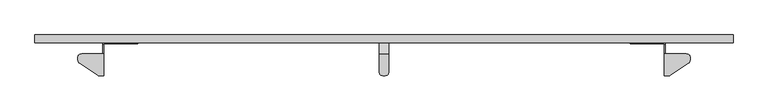
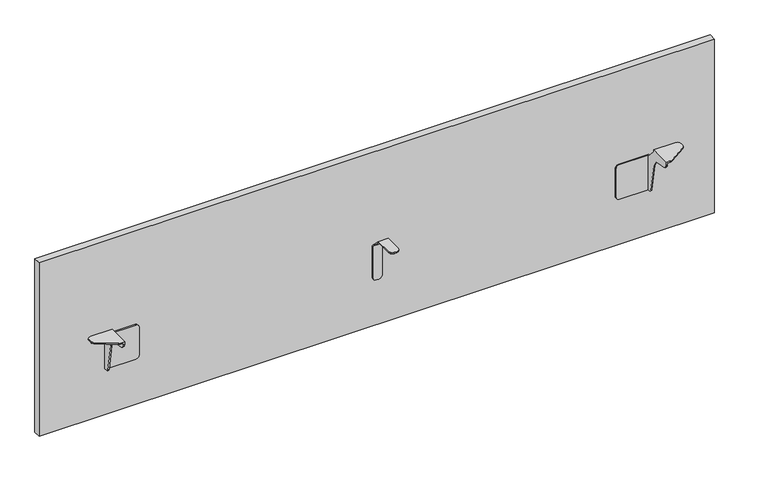
"""IFC4 building model written with IfcOpenShell, lengths in millimetres: furniture geometry."""

from ifc_helpers import new_model, si_unit, frame, origin, place, context, project, spatial, polyline, outline, extrude, faceted_brep, source, transform, mapped, element, save


def furniture_d316f13d(model_context):
    return source(origin(), model_context, "Body", "SolidModel", [
        faceted_brep([(927.8620008, -5.3451252, 707.3392029), (927.8620008, 22.3509401, 681.1507432), (927.8620008, 22.3509401, 593.7250799), (927.8620008, 25.4, 593.7250799), (927.8620008, 25.4, 681.1497404), (927.8620008, -4.2672, 710.3872), (927.8620008, -50.0379103, 710.3872), (927.8620008, -50.0379103, 707.3392029), (902.4620008, -4.2672, 710.3872), (902.4620008, 25.4, 681.1497404), (902.4620008, 25.4, 593.7249895), (902.4620008, 22.3509401, 593.7249895), (902.4620008, 22.3509401, 681.1507432), (902.4620008, -5.3451252, 707.3392029), (902.4620008, -50.0380007, 707.3392029), (902.4620008, -50.0380007, 710.3872), (926.5858917, -54.8005007, 707.3392029), (923.0994766, -58.2868931, 707.3392029), (918.3369766, -59.5630007, 707.3392029), (911.9870008, -59.5630007, 707.3392029), (907.2245008, -58.2868931, 707.3392029), (903.7380857, -54.8005007, 707.3392029), (903.7380857, 22.3509401, 588.9624895), (907.2245008, 22.3509401, 585.4761108), (911.9870008, 22.3509401, 584.1999895), (918.3369766, 22.3509401, 584.1999895), (923.0994766, 22.3509401, 585.4761108), (926.5858917, 22.3509401, 588.9624895), (911.9870008, 25.4, 584.1999895), (918.3369766, 25.4, 584.1999895), (926.5858917, 25.4, 588.9624895), (923.0994766, 25.4, 585.4761108), (907.2245008, 25.4, 585.4761108), (903.7380857, 25.4, 588.9624895), (903.7380857, -54.8005007, 710.3872), (907.2245008, -58.2868931, 710.3872), (911.9870008, -59.5630007, 710.3872), (918.3369766, -59.5630007, 710.3872), (923.0994766, -58.2868931, 710.3872), (926.5858917, -54.8005007, 710.3872)], [[[0, 1, 2, 3, 4, 5, 6, 7]], [[8, 9, 10, 11, 12, 13, 14, 15]], [[13, 0, 7, 16, 17, 18, 19, 20, 21, 14]], [[1, 12, 11, 22, 23, 24, 25, 26, 27, 2]], [[25, 24, 28, 29]], [[9, 4, 3, 30, 31, 29, 28, 32, 33, 10]], [[5, 8, 15, 34, 35, 36, 37, 38, 39, 6]], [[19, 18, 37, 36]], [[21, 34, 15, 14]], [[35, 20, 19, 36]], [[34, 21, 20, 35]], [[17, 38, 37, 18]], [[39, 16, 7, 6]], [[38, 17, 16, 39]], [[23, 32, 28, 24]], [[32, 23, 22, 33]], [[33, 22, 11, 10]], [[27, 30, 3, 2]], [[30, 27, 26, 31]], [[31, 26, 25, 29]], [[5, 4, 9, 8]], [[1, 0, 13, 12]]]),
        faceted_brep([(1630.1211979, 25.4, 585.1652286), (1630.1211979, 17.2652222, 585.1652286), (1627.0732008, 17.2652222, 585.1652286), (1627.0732008, 22.3509401, 585.1652286), (1550.7461919, 22.3509401, 585.1652286), (1550.7461919, 25.4, 585.1652286), (1688.6046921, -4.0711685, 710.3872), (1683.8421921, -2.7950606, 710.3872), (1627.0732008, -2.7950606, 710.3872), (1627.0732008, -59.4370591, 710.3872), (1638.1764839, -59.4370591, 710.3872), (1640.0211387, -59.2567331, 710.3872), (1641.7959395, -58.7225769, 710.3872), (1643.4336848, -57.8548247, 710.3872), (1689.099393, -27.6293554, 710.3872), (1691.3819845, -25.5070035, 710.3872), (1692.8572396, -22.7614203, 710.3872), (1693.3671921, -19.6865943, 710.3872), (1693.3671921, -12.3200609, 710.3872), (1692.09108, -7.5575603, 710.3872), (1692.09108, -7.5575603, 707.3392029), (1688.6046921, -4.0711685, 707.3392029), (1693.3671921, -12.3200609, 707.3392029), (1693.3671921, -19.6865943, 707.3392029), (1692.8572396, -22.7614203, 707.3392029), (1691.3819845, -25.5070035, 707.3392029), (1689.099393, -27.6293554, 707.3392029), (1643.4336848, -57.8548247, 707.3392029), (1641.7959395, -58.7225769, 707.3392029), (1640.0211387, -59.2567331, 707.3392029), (1638.1764839, -59.4370591, 707.3392029), (1627.0732008, -59.4370591, 702.7557617), (1630.1211979, -59.4370591, 702.7557617), (1630.1211979, -59.4370591, 707.3392029), (1627.0732008, 14.4153473, 585.8406597), (1627.0732008, 12.1717399, 587.7232847), (1627.0732008, 11.0116931, 590.4125464), (1627.0732008, -2.1447647, 665.026524), (1627.0732008, -5.9374915, 674.5733977), (1627.0732008, -13.2013536, 681.8372711), (1627.0732008, -22.7482171, 685.6299902), (1627.0732008, -48.9423917, 690.248749), (1627.0732008, -54.3209742, 692.5688109), (1627.0732008, -58.0861968, 697.056037), (1627.0732008, -2.7950606, 705.3072048), (1627.0732008, 20.3189398, 680.4151922), (1627.0732008, 22.3509401, 680.4151922), (1550.7461919, 22.3509401, 680.4151922), (1545.9836919, 22.3509401, 679.1391073), (1542.497295, 22.3509401, 675.6526922), (1541.2211919, 22.3509401, 670.8901922), (1541.2211919, 22.3509401, 594.6902286), (1542.497295, 22.3509401, 589.9277286), (1545.9836919, 22.3509401, 586.4413498), (1541.2211919, 25.4, 670.8901922), (1541.2211919, 25.4, 594.6902286), (1545.9836919, 25.4, 586.4413498), (1542.497295, 25.4, 589.9277286), (1542.497295, 25.4, 675.6526922), (1545.9836919, 25.4, 679.1391073), (1550.7461919, 25.4, 680.4151922), (1630.1211979, 25.4, 680.4151922), (1630.1211979, -58.0861968, 697.056037), (1630.1211979, -54.3209742, 692.5688109), (1630.1211979, -48.9423917, 690.248749), (1630.1211979, -22.7482171, 685.6299902), (1630.1211979, -13.2013536, 681.8372711), (1630.1211979, -5.9374915, 674.5733977), (1630.1211979, -2.1447647, 665.026524), (1630.1211979, 11.0116931, 590.4125464), (1630.1211979, 12.1717399, 587.7232847), (1630.1211979, 14.4153473, 585.8406597), (1630.1211979, 20.3189398, 680.4151922), (1630.1211979, -2.7950606, 705.3072048), (1630.1211979, -2.7950606, 707.3392029), (1683.8421921, -2.7950606, 707.3392029)], [[[0, 1, 2, 3, 4, 5]], [[6, 7, 8, 9, 10, 11, 12, 13, 14, 15, 16, 17, 18, 19]], [[19, 20, 21, 6]], [[18, 22, 20, 19]], [[17, 23, 22, 18]], [[16, 24, 23, 17]], [[15, 25, 24, 16]], [[14, 26, 25, 15]], [[13, 27, 26, 14]], [[12, 28, 27, 13]], [[11, 29, 28, 12]], [[10, 30, 29, 11]], [[9, 31, 32, 33, 30, 10]], [[3, 2, 34, 35, 36, 37, 38, 39, 40, 41, 42, 43, 31, 9, 8, 44, 45, 46]], [[3, 46, 47, 48, 49, 50, 51, 52, 53, 4]], [[50, 54, 55, 51]], [[5, 56, 57, 55, 54, 58, 59, 60, 61, 0]], [[33, 32, 62, 63, 64, 65, 66, 67, 68, 69, 70, 71, 1, 0, 61, 72, 73, 74]], [[8, 7, 75, 74, 73, 44]], [[6, 21, 75, 7]], [[74, 75, 21, 20, 22, 23, 24, 25, 26, 27, 28, 29, 30, 33]], [[47, 46, 45, 72, 61, 60]], [[60, 59, 48, 47]], [[59, 58, 49, 48]], [[58, 54, 50, 49]], [[56, 5, 4, 53]], [[52, 51, 55, 57]], [[53, 52, 57, 56]], [[34, 2, 1, 71]], [[71, 70, 35, 34]], [[70, 69, 36, 35]], [[69, 68, 37, 36]], [[68, 67, 38, 37]], [[67, 66, 39, 38]], [[66, 65, 40, 39]], [[65, 64, 41, 40]], [[64, 63, 42, 41]], [[63, 62, 43, 42]], [[62, 32, 31, 43]], [[45, 44, 73, 72]]]),
        faceted_brep([(200.2028038, 25.4, 585.1652286), (279.5778098, 25.4, 585.1652286), (279.5778098, 22.3509401, 585.1652286), (203.2508008, 22.3509401, 585.1652286), (203.2508008, 17.2652222, 585.1652286), (200.2028038, 17.2652222, 585.1652286), (141.7193096, -4.0711685, 710.3872), (138.2329217, -7.5575603, 710.3872), (136.9568096, -12.3200609, 710.3872), (136.9568096, -19.6865943, 710.3872), (137.4667621, -22.7614203, 710.3872), (138.9420172, -25.5070035, 710.3872), (141.2246087, -27.6293554, 710.3872), (186.8903169, -57.8548247, 710.3872), (188.5280622, -58.7225769, 710.3872), (190.302863, -59.2567331, 710.3872), (192.1475178, -59.4370591, 710.3872), (203.2508008, -59.4370591, 710.3872), (203.2508008, -2.7950606, 710.3872), (146.4818096, -2.7950606, 710.3872), (141.7193096, -4.0711685, 707.3392029), (138.2329217, -7.5575603, 707.3392029), (136.9568096, -12.3200609, 707.3392029), (136.9568096, -19.6865943, 707.3392029), (137.4667621, -22.7614203, 707.3392029), (138.9420172, -25.5070035, 707.3392029), (141.2246087, -27.6293554, 707.3392029), (186.8903169, -57.8548247, 707.3392029), (188.5280622, -58.7225769, 707.3392029), (190.302863, -59.2567331, 707.3392029), (192.1475178, -59.4370591, 707.3392029), (200.2028038, -59.4370591, 707.3392029), (200.2028038, -59.4370591, 702.7557617), (203.2508008, -59.4370591, 702.7557617), (203.2508008, 22.3509401, 680.4151922), (203.2508008, 20.3189398, 680.4151922), (203.2508008, -2.7950606, 705.3072048), (203.2508008, -58.0861968, 697.056037), (203.2508008, -54.3209742, 692.5688109), (203.2508008, -48.9423917, 690.248749), (203.2508008, -22.7482171, 685.6299902), (203.2508008, -13.2013536, 681.8372711), (203.2508008, -5.9374915, 674.5733977), (203.2508008, -2.1447647, 665.026524), (203.2508008, 11.0116931, 590.4125464), (203.2508008, 12.1717399, 587.7232847), (203.2508008, 14.4153473, 585.8406597), (284.3403098, 22.3509401, 586.4413498), (287.8267067, 22.3509401, 589.9277286), (289.1028098, 22.3509401, 594.6902286), (289.1028098, 22.3509401, 670.8901922), (287.8267067, 22.3509401, 675.6526922), (284.3403098, 22.3509401, 679.1391073), (279.5778098, 22.3509401, 680.4151922), (289.1028098, 25.4, 594.6902286), (289.1028098, 25.4, 670.8901922), (200.2028038, 25.4, 680.4151922), (279.5778098, 25.4, 680.4151922), (284.3403098, 25.4, 679.1391073), (287.8267067, 25.4, 675.6526922), (287.8267067, 25.4, 589.9277286), (284.3403098, 25.4, 586.4413498), (200.2028038, -2.7950606, 707.3392029), (200.2028038, -2.7950606, 705.3072048), (200.2028038, 20.3189398, 680.4151922), (200.2028038, 14.4153473, 585.8406597), (200.2028038, 12.1717399, 587.7232847), (200.2028038, 11.0116931, 590.4125464), (200.2028038, -2.1447647, 665.026524), (200.2028038, -5.9374915, 674.5733977), (200.2028038, -13.2013536, 681.8372711), (200.2028038, -22.7482171, 685.6299902), (200.2028038, -48.9423917, 690.248749), (200.2028038, -54.3209742, 692.5688109), (200.2028038, -58.0861968, 697.056037), (146.4818096, -2.7950606, 707.3392029)], [[[0, 1, 2, 3, 4, 5]], [[6, 7, 8, 9, 10, 11, 12, 13, 14, 15, 16, 17, 18, 19]], [[7, 6, 20, 21]], [[8, 7, 21, 22]], [[9, 8, 22, 23]], [[10, 9, 23, 24]], [[11, 10, 24, 25]], [[12, 11, 25, 26]], [[13, 12, 26, 27]], [[14, 13, 27, 28]], [[15, 14, 28, 29]], [[16, 15, 29, 30]], [[17, 16, 30, 31, 32, 33]], [[3, 34, 35, 36, 18, 17, 33, 37, 38, 39, 40, 41, 42, 43, 44, 45, 46, 4]], [[3, 2, 47, 48, 49, 50, 51, 52, 53, 34]], [[50, 49, 54, 55]], [[1, 0, 56, 57, 58, 59, 55, 54, 60, 61]], [[31, 62, 63, 64, 56, 0, 5, 65, 66, 67, 68, 69, 70, 71, 72, 73, 74, 32]], [[18, 36, 63, 62, 75, 19]], [[6, 19, 75, 20]], [[62, 31, 30, 29, 28, 27, 26, 25, 24, 23, 22, 21, 20, 75]], [[53, 57, 56, 64, 35, 34]], [[57, 53, 52, 58]], [[58, 52, 51, 59]], [[59, 51, 50, 55]], [[61, 47, 2, 1]], [[48, 60, 54, 49]], [[47, 61, 60, 48]], [[46, 65, 5, 4]], [[65, 46, 45, 66]], [[66, 45, 44, 67]], [[67, 44, 43, 68]], [[68, 43, 42, 69]], [[69, 42, 41, 70]], [[70, 41, 40, 71]], [[71, 40, 39, 72]], [[72, 39, 38, 73]], [[73, 38, 37, 74]], [[74, 37, 33, 32]], [[35, 64, 63, 36]]]),
        extrude(outline(polyline([(1802.6380008, 25.4), (27.6860008, 25.4), (27.6860008, 44.704), (1802.6380008, 44.704), (1802.6380008, 25.4)])), frame((0.0, 0.0, 457.2), z_axis=(0.0, 0.0, 1.0), x_axis=(1.0, 0.0, 0.0)), (0.0, 0.0, 1.0), 482.6),
    ])


if __name__ == "__main__":
    model = new_model("IFC4")
    model_context = context("Model", 3, world=origin())
    ifc_project = project(units=[si_unit("LENGTHUNIT", "METRE", prefix="MILLI")], contexts=[model_context])
    site = spatial("IfcSite", under=ifc_project)
    building = spatial("IfcBuilding", under=site)
    placement = place(None, origin())
    furniture_shape = furniture_d316f13d(model_context)
    element("IfcFurniture", 1, at=placement, inside=building, context=model_context, shape_type="MappedRepresentation", body=[
        mapped(furniture_shape, transform((0.0, 0.0, 0.0), x_axis=(1.0, 0.0, 0.0), y_axis=(0.0, 1.0, 0.0), z_axis=(0.0, 0.0, 1.0))),
    ])
    save(model, "model.ifc")
